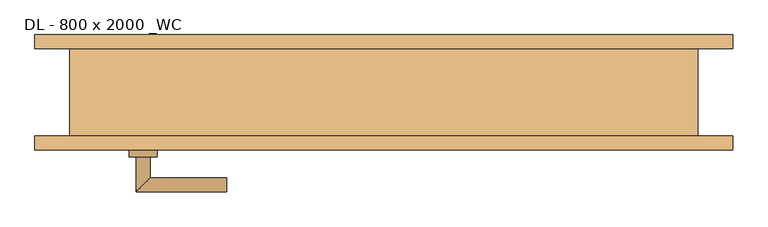
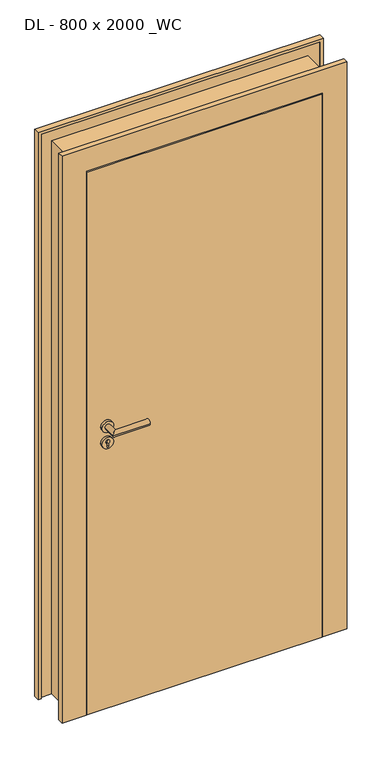
"""IFC4 building model written with IfcOpenShell, lengths in millimetres: door geometry, DL - 800 x 2000 _WC."""

from ifc_helpers import new_model, si_unit, point, frame, frame_2d, origin, origin_with_axes, place, context, project, spatial, polyline, circle_curve, ellipse_curve, trimmed, segment, composite_curve, outline, extrude, faceted_brep, source, transform, mapped, element, save
from ifc_brep_helpers import plane_surface, cylinder_surface, advanced_brep


def dl_800_x_2000_wc_e01a43e3(model_context):
    return source(origin(), model_context, "Body", "SolidModel", [
        extrude(outline(polyline([(411.0, -82.5), (-411.0, -82.5), (-411.0, -37.5), (411.0, -37.5), (411.0, -82.5)])), origin_with_axes(), (0.0, 0.0, 1.0), 2011.0),
        advanced_brep(
        [(-335.0, -92.5, 1050.0), (-355.0, -92.5, 1050.0), (-355.0, -142.5, 1050.0), (-335.0, -122.5, 1050.0), (-225.0, -122.5, 1050.0), (-225.0, -142.5, 1050.0)],
        [
            (0, 1, circle_curve(frame((-345.0, -92.5, 1050.0), z_axis=(0.0, 1.0, 0.0), x_axis=(-1.0, 0.0, 0.0)), 10.0)),
            (1, 0, circle_curve(frame((-345.0, -92.5, 1050.0), z_axis=(0.0, 1.0, 0.0), x_axis=(-1.0, 0.0, 0.0)), 10.0)),
            (1, 2),
            (2, 3, ellipse_curve(frame((-345.0, -132.5, 1050.0), z_axis=(-0.7071067811865531, 0.7071067811865419, 0.0), x_axis=(0.707106781186542, 0.707106781186553, 0.0)), 14.1421356, 10.0)),
            (3, 0),
            (3, 2, ellipse_curve(frame((-345.0, -132.5, 1050.0), z_axis=(-0.7071067811865531, 0.7071067811865419, 0.0), x_axis=(0.707106781186542, 0.707106781186553, 0.0)), 14.1421356, 10.0)),
            (4, 5, circle_curve(frame((-225.0, -132.5, 1050.0), z_axis=(1.0, 0.0, 0.0), x_axis=(0.0, -1.0, 0.0)), 10.0)),
            (5, 4, circle_curve(frame((-225.0, -132.5, 1050.0), z_axis=(1.0, 0.0, 0.0), x_axis=(0.0, -1.0, 0.0)), 10.0)),
            (2, 5),
            (4, 3),
        ],
        [
            plane_surface(frame((-345.0, -92.5, 1050.0), z_axis=(0.0, 1.0, 0.0), x_axis=(0.0, 0.0, 1.0))),
            cylinder_surface(frame((-345.0, -92.5, 1050.0), z_axis=(0.0, 1.0, 0.0), x_axis=(-1.0, 0.0, 0.0)), 10.0),
            plane_surface(frame((-225.0, -132.5, 1050.0), z_axis=(1.0, 0.0, 0.0), x_axis=(0.0, 0.0, 1.0))),
            cylinder_surface(frame((-345.0, -132.5, 1050.0), z_axis=(-1.0, 0.0, 0.0), x_axis=(0.0, -1.0, 0.0)), 10.0),
        ],
        [
            (0, [[1, 2]]),
            (1, [[3, 4, 5, -2]]),
            (1, [[-5, 6, -3, -1]]),
            (2, [[7, 8]]),
            (3, [[9, -7, 10, -4]]),
            (3, [[-10, -8, -9, -6]]),
        ],
    ),
        extrude(outline(composite_curve([segment(trimmed(circle_curve(frame_2d((990.0, -345.0)), 20.0), [point((990.0, -365.0))], [point((990.0, -325.0))], False, "CARTESIAN"), True, "CONTINUOUS"), segment(trimmed(circle_curve(frame_2d((990.0, -345.0)), 20.0), [point((990.0, -325.0))], [point((990.0, -365.0))], False, "CARTESIAN"), True, "CONTINUOUS")], self_intersect=False), holes=[composite_curve([segment(polyline([(976.4601385, -347.397268), (988.4749012, -347.397268)]), True, "CONTINUOUS"), segment(trimmed(circle_curve(frame_2d((995.0361633, -345.0)), 6.9854888), [point((988.4749012, -347.397268))], [point((988.4749012, -342.602732))], True, "CARTESIAN"), True, "CONTINUOUS"), segment(polyline([(988.4749012, -342.602732), (976.4601385, -342.602732)]), True, "CONTINUOUS"), segment(trimmed(circle_curve(frame_2d((976.4601385, -345.0)), 2.397268), [point((976.4601385, -342.602732))], [point((976.4601385, -347.397268))], True, "CARTESIAN"), True, "CONTINUOUS")], self_intersect=False)]), frame((0.0, -92.5, 0.0), z_axis=(0.0, 1.0, 0.0), x_axis=(0.0, 0.0, 1.0)), (0.0, 0.0, 1.0), 10.0),
        advanced_brep(
        [(-335.0, -92.5, 1050.0), (-355.0, -92.5, 1050.0), (-355.0, -142.5, 1050.0), (-335.0, -122.5, 1050.0), (-225.0, -122.5, 1050.0), (-225.0, -142.5, 1050.0)],
        [
            (0, 1, circle_curve(frame((-345.0, -92.5, 1050.0), z_axis=(0.0, 1.0, 0.0), x_axis=(-1.0, 0.0, 0.0)), 10.0)),
            (1, 0, circle_curve(frame((-345.0, -92.5, 1050.0), z_axis=(0.0, 1.0, 0.0), x_axis=(-1.0, 0.0, 0.0)), 10.0)),
            (1, 2),
            (2, 3, ellipse_curve(frame((-345.0, -132.5, 1050.0), z_axis=(-0.7071067811865537, 0.7071067811865414, 0.0), x_axis=(0.7071067811865414, 0.7071067811865536, 0.0)), 14.1421356, 10.0)),
            (3, 0),
            (3, 2, ellipse_curve(frame((-345.0, -132.5, 1050.0), z_axis=(-0.7071067811865537, 0.7071067811865414, 0.0), x_axis=(0.7071067811865414, 0.7071067811865536, 0.0)), 14.1421356, 10.0)),
            (4, 5, circle_curve(frame((-225.0, -132.5, 1050.0), z_axis=(1.0, 0.0, 0.0), x_axis=(0.0, -1.0, 0.0)), 10.0)),
            (5, 4, circle_curve(frame((-225.0, -132.5, 1050.0), z_axis=(1.0, 0.0, 0.0), x_axis=(0.0, -1.0, 0.0)), 10.0)),
            (2, 5),
            (4, 3),
        ],
        [
            plane_surface(frame((-345.0, -92.5, 1050.0), z_axis=(0.0, 1.0, 0.0), x_axis=(0.0, 0.0, 1.0))),
            cylinder_surface(frame((-345.0, -92.5, 1050.0), z_axis=(0.0, 1.0, 0.0), x_axis=(-1.0, 0.0, 0.0)), 10.0),
            plane_surface(frame((-225.0, -132.5, 1050.0), z_axis=(1.0, 0.0, 0.0), x_axis=(0.0, 0.0, 1.0))),
            cylinder_surface(frame((-345.0, -132.5, 1050.0), z_axis=(-1.0, 0.0, 0.0), x_axis=(0.0, -1.0, 0.0)), 10.0),
        ],
        [
            (0, [[1, 2]]),
            (1, [[3, 4, 5, -2]]),
            (1, [[-5, 6, -3, -1]]),
            (2, [[7, 8]]),
            (3, [[9, -7, 10, -4]]),
            (3, [[-10, -8, -9, -6]]),
        ],
    ),
        extrude(outline(composite_curve([segment(trimmed(circle_curve(frame_2d((1050.0, -345.0)), 20.0), [point((1050.0, -365.0))], [point((1050.0, -325.0))], False, "CARTESIAN"), True, "CONTINUOUS"), segment(trimmed(circle_curve(frame_2d((1050.0, -345.0)), 20.0), [point((1050.0, -325.0))], [point((1050.0, -365.0))], False, "CARTESIAN"), True, "CONTINUOUS")], self_intersect=False)), frame((0.0, -92.5, 0.0), z_axis=(0.0, 1.0, 0.0), x_axis=(0.0, 0.0, 1.0)), (0.0, 0.0, 1.0), 10.0),
        advanced_brep(
        [(-335.0, -27.5, 1050.0), (-355.0, -27.5, 1050.0), (-335.0, 2.5, 1050.0), (-355.0, 22.5, 1050.0), (-225.0, 2.5, 1050.0), (-225.0, 22.5, 1050.0)],
        [
            (0, 1, circle_curve(frame((-345.0, -27.5, 1050.0), z_axis=(0.0, -1.0, 0.0), x_axis=(-1.0, 0.0, 0.0)), 10.0)),
            (1, 0, circle_curve(frame((-345.0, -27.5, 1050.0), z_axis=(0.0, -1.0, 0.0), x_axis=(-1.0, 0.0, 0.0)), 10.0)),
            (0, 2),
            (2, 3, ellipse_curve(frame((-345.0, 12.5, 1050.0), z_axis=(-0.7071067811865486, -0.7071067811865464, 0.0), x_axis=(0.7071067811865464, -0.7071067811865488, 0.0)), 14.1421356, 10.0)),
            (3, 1),
            (3, 2, ellipse_curve(frame((-345.0, 12.5, 1050.0), z_axis=(-0.7071067811865486, -0.7071067811865464, 0.0), x_axis=(0.7071067811865464, -0.7071067811865488, 0.0)), 14.1421356, 10.0)),
            (4, 5, circle_curve(frame((-225.0, 12.5, 1050.0), z_axis=(1.0, 0.0, 0.0), x_axis=(0.0, 1.0, 0.0)), 10.0)),
            (5, 4, circle_curve(frame((-225.0, 12.5, 1050.0), z_axis=(1.0, 0.0, 0.0), x_axis=(0.0, 1.0, 0.0)), 10.0)),
            (2, 4),
            (5, 3),
        ],
        [
            plane_surface(frame((-345.0, -27.5, 1050.0), z_axis=(0.0, -1.0, 0.0), x_axis=(0.0, 0.0, 1.0))),
            cylinder_surface(frame((-345.0, -27.5, 1050.0), z_axis=(0.0, -1.0, 0.0), x_axis=(-1.0, 0.0, 0.0)), 10.0),
            plane_surface(frame((-225.0, 12.5, 1050.0), z_axis=(1.0, 0.0, 0.0), x_axis=(0.0, 0.0, 1.0))),
            cylinder_surface(frame((-345.0, 12.5, 1050.0), z_axis=(-1.0, 0.0, 0.0), x_axis=(0.0, 1.0, 0.0)), 10.0),
        ],
        [
            (0, [[1, 2]]),
            (1, [[-1, 3, 4, 5]]),
            (1, [[-2, -5, 6, -3]]),
            (2, [[7, 8]]),
            (3, [[-4, 9, -8, 10]]),
            (3, [[-6, -10, -7, -9]]),
        ],
    ),
        extrude(outline(composite_curve([segment(trimmed(circle_curve(frame_2d((990.0, -345.0)), 20.0), [point((990.0, -365.0))], [point((990.0, -325.0))], False, "CARTESIAN"), True, "CONTINUOUS"), segment(trimmed(circle_curve(frame_2d((990.0, -345.0)), 20.0), [point((990.0, -325.0))], [point((990.0, -365.0))], False, "CARTESIAN"), True, "CONTINUOUS")], self_intersect=False), holes=[composite_curve([segment(polyline([(976.4601385, -347.397268), (988.4749012, -347.397268)]), True, "CONTINUOUS"), segment(trimmed(circle_curve(frame_2d((995.0361633, -345.0)), 6.9854888), [point((988.4749012, -347.397268))], [point((988.4749012, -342.602732))], True, "CARTESIAN"), True, "CONTINUOUS"), segment(polyline([(988.4749012, -342.602732), (976.4601385, -342.602732)]), True, "CONTINUOUS"), segment(trimmed(circle_curve(frame_2d((976.4601385, -345.0)), 2.397268), [point((976.4601385, -342.602732))], [point((976.4601385, -347.397268))], True, "CARTESIAN"), True, "CONTINUOUS")], self_intersect=False)]), frame((0.0, -37.5, 0.0), z_axis=(0.0, 1.0, 0.0), x_axis=(0.0, 0.0, 1.0)), (0.0, 0.0, 1.0), 10.0),
        advanced_brep(
        [(-335.0, -27.5, 1050.0), (-355.0, -27.5, 1050.0), (-335.0, 2.5, 1050.0), (-355.0, 22.5, 1050.0), (-225.0, 2.5, 1050.0), (-225.0, 22.5, 1050.0)],
        [
            (0, 1, circle_curve(frame((-345.0, -27.5, 1050.0), z_axis=(0.0, -1.0, 0.0), x_axis=(-1.0, 0.0, 0.0)), 10.0)),
            (1, 0, circle_curve(frame((-345.0, -27.5, 1050.0), z_axis=(0.0, -1.0, 0.0), x_axis=(-1.0, 0.0, 0.0)), 10.0)),
            (0, 2),
            (2, 3, ellipse_curve(frame((-345.0, 12.5, 1050.0), z_axis=(-0.7071067811865491, -0.7071067811865459, 0.0), x_axis=(0.7071067811865458, -0.7071067811865492, 0.0)), 14.1421356, 10.0)),
            (3, 1),
            (3, 2, ellipse_curve(frame((-345.0, 12.5, 1050.0), z_axis=(-0.7071067811865491, -0.7071067811865459, 0.0), x_axis=(0.7071067811865458, -0.7071067811865492, 0.0)), 14.1421356, 10.0)),
            (4, 5, circle_curve(frame((-225.0, 12.5, 1050.0), z_axis=(1.0, 0.0, 0.0), x_axis=(0.0, 1.0, 0.0)), 10.0)),
            (5, 4, circle_curve(frame((-225.0, 12.5, 1050.0), z_axis=(1.0, 0.0, 0.0), x_axis=(0.0, 1.0, 0.0)), 10.0)),
            (2, 4),
            (5, 3),
        ],
        [
            plane_surface(frame((-345.0, -27.5, 1050.0), z_axis=(0.0, -1.0, 0.0), x_axis=(0.0, 0.0, 1.0))),
            cylinder_surface(frame((-345.0, -27.5, 1050.0), z_axis=(0.0, -1.0, 0.0), x_axis=(-1.0, 0.0, 0.0)), 10.0),
            plane_surface(frame((-225.0, 12.5, 1050.0), z_axis=(1.0, 0.0, 0.0), x_axis=(0.0, 0.0, 1.0))),
            cylinder_surface(frame((-345.0, 12.5, 1050.0), z_axis=(-1.0, 0.0, 0.0), x_axis=(0.0, 1.0, 0.0)), 10.0),
        ],
        [
            (0, [[1, 2]]),
            (1, [[-1, 3, 4, 5]]),
            (1, [[-2, -5, 6, -3]]),
            (2, [[7, 8]]),
            (3, [[-4, 9, -8, 10]]),
            (3, [[-6, -10, -7, -9]]),
        ],
    ),
        extrude(outline(composite_curve([segment(trimmed(circle_curve(frame_2d((1050.0, -345.0)), 20.0), [point((1050.0, -365.0))], [point((1050.0, -325.0))], False, "CARTESIAN"), True, "CONTINUOUS"), segment(trimmed(circle_curve(frame_2d((1050.0, -345.0)), 20.0), [point((1050.0, -325.0))], [point((1050.0, -365.0))], False, "CARTESIAN"), True, "CONTINUOUS")], self_intersect=False)), frame((0.0, -37.5, 0.0), z_axis=(0.0, 1.0, 0.0), x_axis=(0.0, 0.0, 1.0)), (0.0, 0.0, 1.0), 10.0),
        faceted_brep([(-400.0, 82.5, 0.0), (-400.0, -37.5, 0.0), (-415.0, -37.5, 0.0), (-415.0, -82.5, 0.0), (-500.0, -82.5, 0.0), (-500.0, -62.5, 0.0), (-490.0, -62.5, 0.0), (-490.0, -67.5, 0.0), (-450.0, -67.5, 0.0), (-450.0, 67.5, 0.0), (-490.0, 67.5, 0.0), (-490.0, 62.5, 0.0), (-500.0, 62.5, 0.0), (-500.0, 82.5, 0.0), (-500.0, 82.5, 2100.0), (500.0, 82.5, 2100.0), (500.0, 82.5, 0.0), (400.0, 82.5, 0.0), (400.0, 82.5, 2000.0), (-400.0, 82.5, 2000.0), (-500.0, 62.5, 2100.0), (-490.0, 62.5, 2090.0), (490.0, 62.5, 2090.0), (490.0, 62.5, 0.0), (500.0, 62.5, 0.0), (500.0, 62.5, 2100.0), (-490.0, 67.5, 2090.0), (-450.0, 67.5, 2050.0), (450.0, 67.5, 2050.0), (450.0, 67.5, 0.0), (490.0, 67.5, 0.0), (490.0, 67.5, 2090.0), (-450.0, -67.5, 2050.0), (-490.0, -67.5, 2090.0), (490.0, -67.5, 2090.0), (490.0, -67.5, 0.0), (450.0, -67.5, 0.0), (450.0, -67.5, 2050.0), (-490.0, -62.5, 2090.0), (-500.0, -62.5, 2100.0), (500.0, -62.5, 2100.0), (500.0, -62.5, 0.0), (490.0, -62.5, 0.0), (490.0, -62.5, 2090.0), (-500.0, -82.5, 2100.0), (-415.0, -82.5, 2015.0), (415.0, -82.5, 2015.0), (415.0, -82.5, 0.0), (500.0, -82.5, 0.0), (500.0, -82.5, 2100.0), (-415.0, -37.5, 2015.0), (-400.0, -37.5, 2000.0), (400.0, -37.5, 2000.0), (400.0, -37.5, 0.0), (415.0, -37.5, 0.0), (415.0, -37.5, 2015.0)], [[[0, 1, 2, 3, 4, 5, 6, 7, 8, 9, 10, 11, 12, 13]], [[13, 14, 15, 16, 17, 18, 19, 0]], [[12, 20, 14, 13]], [[11, 21, 22, 23, 24, 25, 20, 12]], [[10, 26, 21, 11]], [[9, 27, 28, 29, 30, 31, 26, 10]], [[8, 32, 27, 9]], [[7, 33, 34, 35, 36, 37, 32, 8]], [[6, 38, 33, 7]], [[5, 39, 40, 41, 42, 43, 38, 6]], [[4, 44, 39, 5]], [[3, 45, 46, 47, 48, 49, 44, 4]], [[2, 50, 45, 3]], [[1, 51, 52, 53, 54, 55, 50, 2]], [[0, 19, 51, 1]], [[17, 16, 24, 23, 30, 29, 36, 35, 42, 41, 48, 47, 54, 53]], [[18, 17, 53, 52]], [[55, 54, 47, 46]], [[49, 48, 41, 40]], [[43, 42, 35, 34]], [[37, 36, 29, 28]], [[31, 30, 23, 22]], [[25, 24, 16, 15]], [[32, 37, 28, 27]], [[19, 18, 52, 51]], [[50, 55, 46, 45]], [[44, 49, 40, 39]], [[20, 25, 15, 14]], [[38, 43, 34, 33]], [[26, 31, 22, 21]]]),
    ])


if __name__ == "__main__":
    model = new_model("IFC4")
    model_context = context("Model", 3, world=origin())
    ifc_project = project(units=[si_unit("LENGTHUNIT", "METRE", prefix="MILLI")], contexts=[model_context])
    site = spatial("IfcSite", under=ifc_project)
    building = spatial("IfcBuilding", under=site)
    placement = place(None, origin())
    dl_800_x_2000_wc_shape = dl_800_x_2000_wc_e01a43e3(model_context)
    element("IfcDoor", 1, ObjectType="DL - 800 x 2000 _WC", at=placement, inside=building, context=model_context, shape_type="MappedRepresentation", body=[
        mapped(dl_800_x_2000_wc_shape, transform((0.0, 0.0, 0.0), x_axis=(1.0, 0.0, 0.0), y_axis=(0.0, 1.0, 0.0), z_axis=(0.0, 0.0, 1.0))),
    ])
    save(model, "model.ifc")
